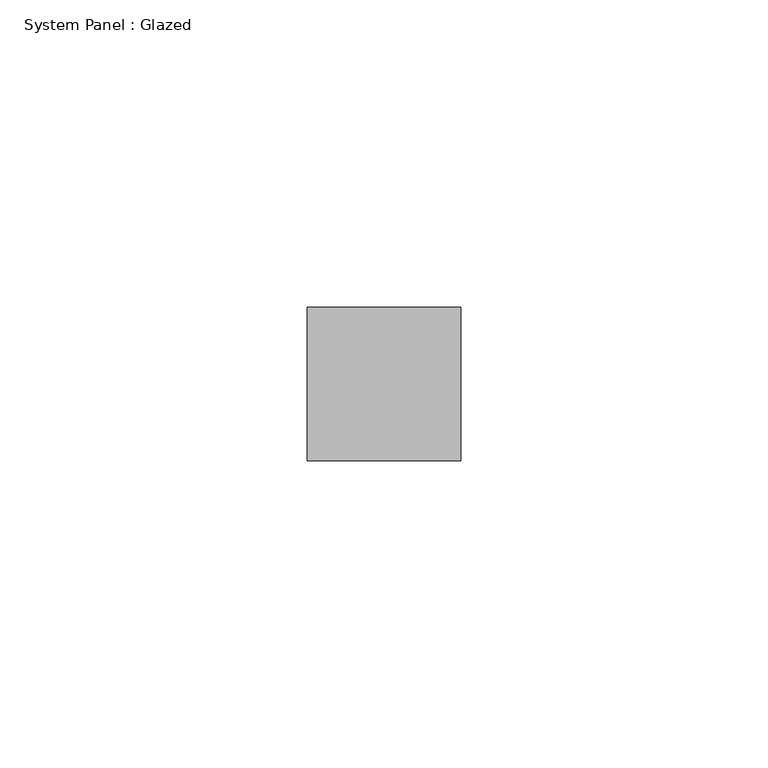
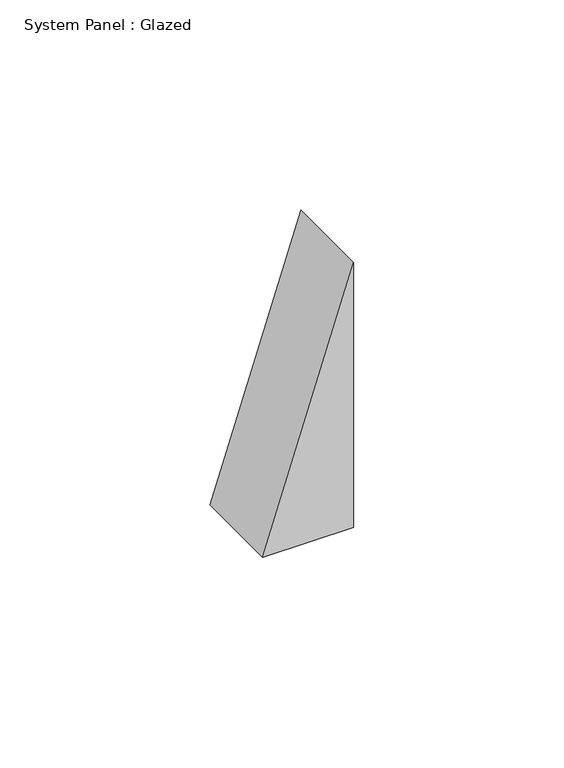
"""IFC4 building model written with IfcOpenShell, lengths in millimetres: plate geometry, System Panel : Glazed."""

from ifc_helpers import new_model, si_unit, frame, origin, place, context, project, spatial, polyline, outline, extrude, source, transform, mapped, element, save


def system_panel_glazed_b08e98cd(model_context):
    return source(origin(), model_context, "Body", "SweptSolid", [
        extrude(outline(polyline([(0.0, -12.5000002), (0.0, 12.5000002), (76.9230779, 12.5000002), (0.0, -12.5000002)])), frame((0.0, 24.5, 0.0), z_axis=(0.0, 1.0, 0.0), x_axis=(0.0, 0.0, 1.0)), (0.0, 0.0, 1.0), 25.0),
    ])


if __name__ == "__main__":
    model = new_model("IFC4")
    model_context = context("Model", 3, world=origin())
    ifc_project = project(units=[si_unit("LENGTHUNIT", "METRE", prefix="MILLI")], contexts=[model_context])
    site = spatial("IfcSite", under=ifc_project)
    building = spatial("IfcBuilding", under=site)
    placement = place(None, origin())
    system_panel_glazed_shape = system_panel_glazed_b08e98cd(model_context)
    element("IfcPlate", 1, ObjectType="System Panel : Glazed", at=placement, inside=building, context=model_context, shape_type="MappedRepresentation", body=[
        mapped(system_panel_glazed_shape, transform((0.0, 0.0, 0.0), x_axis=(1.0, 0.0, 0.0), y_axis=(0.0, 1.0, 0.0), z_axis=(0.0, 0.0, 1.0))),
    ])
    save(model, "model.ifc")
